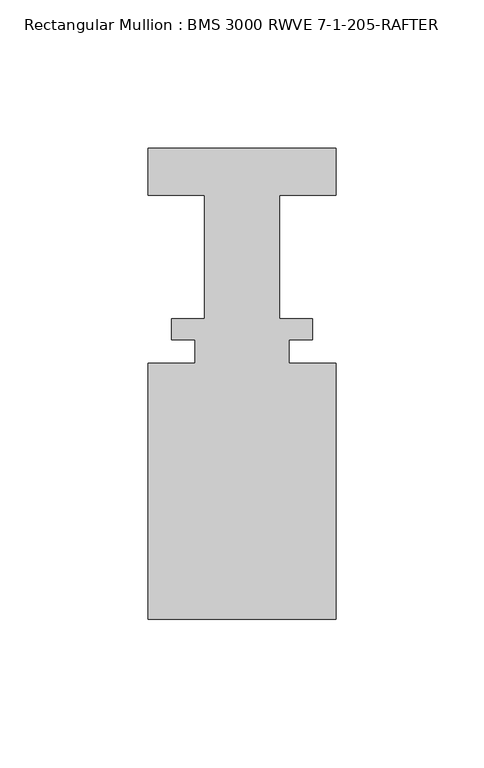
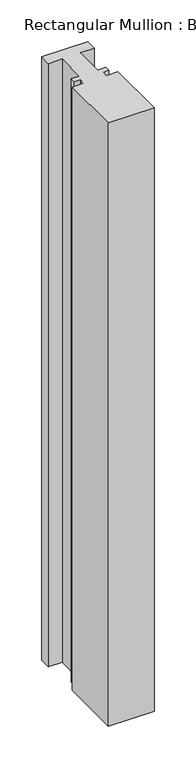
"""IFC4 building model written with IfcOpenShell, lengths in millimetres: member geometry, Rectangular Mullion : BMS 3000 RWVE 7-1-205-RAFTER."""

from ifc_helpers import new_model, si_unit, frame, origin, place, context, project, spatial, polyline, outline, extrude, source, transform, mapped, element, save


def rectangular_mullion_bms_3000_rwve_7_1_205_rafter_be1081b4(model_context):
    return source(origin(), model_context, "Body", "SweptSolid", [
        extrude(outline(polyline([(-31.75, -152.9953125), (-31.75, -66.4575125), (-15.875, -66.4575125), (-15.875, -58.5581125), (-23.8252, -58.5581125), (-23.8252, -51.3953125), (-12.7, -51.3953125), (-12.7, -9.7334421), (-31.75, -9.7334421), (-31.75, 6.1356875), (31.75, 6.1356875), (31.75, -9.7545859), (12.7, -9.7545859), (12.7, -51.3953125), (23.8252, -51.3953125), (23.8252, -58.5581125), (15.875, -58.5581125), (15.875, -66.4575125), (31.75, -66.4575125), (31.75, -152.9953125), (-31.75, -152.9953125)])), frame((0.0, 0.0, -882.65), z_axis=(0.0, 0.0, 1.0), x_axis=(1.0, 0.0, 0.0)), (0.0, 0.0, 1.0), 882.65),
    ])


if __name__ == "__main__":
    model = new_model("IFC4")
    model_context = context("Model", 3, world=origin())
    ifc_project = project(units=[si_unit("LENGTHUNIT", "METRE", prefix="MILLI")], contexts=[model_context])
    site = spatial("IfcSite", under=ifc_project)
    building = spatial("IfcBuilding", under=site)
    placement = place(None, origin())
    rectangular_mullion_bms_3000_rwve_7_1_205_rafter_shape = rectangular_mullion_bms_3000_rwve_7_1_205_rafter_be1081b4(model_context)
    element("IfcMember", 1, ObjectType="Rectangular Mullion : BMS 3000 RWVE 7-1-205-RAFTER", at=placement, inside=building, context=model_context, shape_type="MappedRepresentation", body=[
        mapped(rectangular_mullion_bms_3000_rwve_7_1_205_rafter_shape, transform((0.0, 0.0, 0.0), x_axis=(1.0, 0.0, 0.0), y_axis=(0.0, 1.0, 0.0), z_axis=(0.0, 0.0, 1.0))),
    ])
    save(model, "model.ifc")
